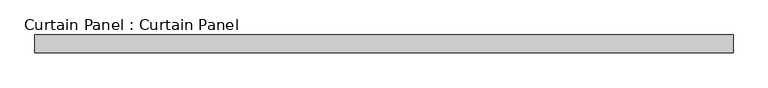
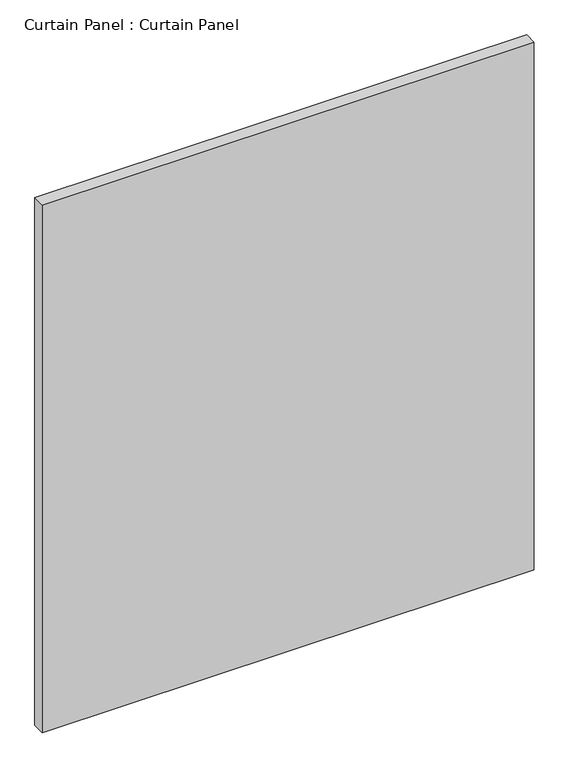
"""IFC4 building model written with IfcOpenShell, lengths in millimetres: plate geometry, Curtain Panel : Curtain Panel."""

from ifc_helpers import new_model, si_unit, frame, origin, place, context, project, spatial, polyline, outline, extrude, source, transform, mapped, element, save


def curtain_panel_curtain_panel_54cf39b7(model_context):
    return source(origin(), model_context, "Body", "SweptSolid", [
        extrude(outline(polyline([(-34213.3246935, 579.5565472), (-35219.8193297, 579.5565472), (-35219.8193297, 604.9565472), (-34213.3246935, 604.9565472), (-34213.3246935, 579.5565472)])), frame((0.0, 0.0, 1767.8280374), z_axis=(0.0, 0.0, 1.0), x_axis=(1.0, 0.0, 0.0)), (0.0, 0.0, 1.0), 1141.8456924),
    ])


if __name__ == "__main__":
    model = new_model("IFC4")
    model_context = context("Model", 3, world=origin())
    ifc_project = project(units=[si_unit("LENGTHUNIT", "METRE", prefix="MILLI")], contexts=[model_context])
    site = spatial("IfcSite", under=ifc_project)
    building = spatial("IfcBuilding", under=site)
    placement = place(None, origin())
    curtain_panel_curtain_panel_shape = curtain_panel_curtain_panel_54cf39b7(model_context)
    element("IfcPlate", 1, ObjectType="Curtain Panel : Curtain Panel", at=placement, inside=building, context=model_context, shape_type="MappedRepresentation", body=[
        mapped(curtain_panel_curtain_panel_shape, transform((0.0, 0.0, 0.0), x_axis=(1.0, 0.0, 0.0), y_axis=(0.0, 1.0, 0.0), z_axis=(0.0, 0.0, 1.0))),
    ])
    save(model, "model.ifc")
